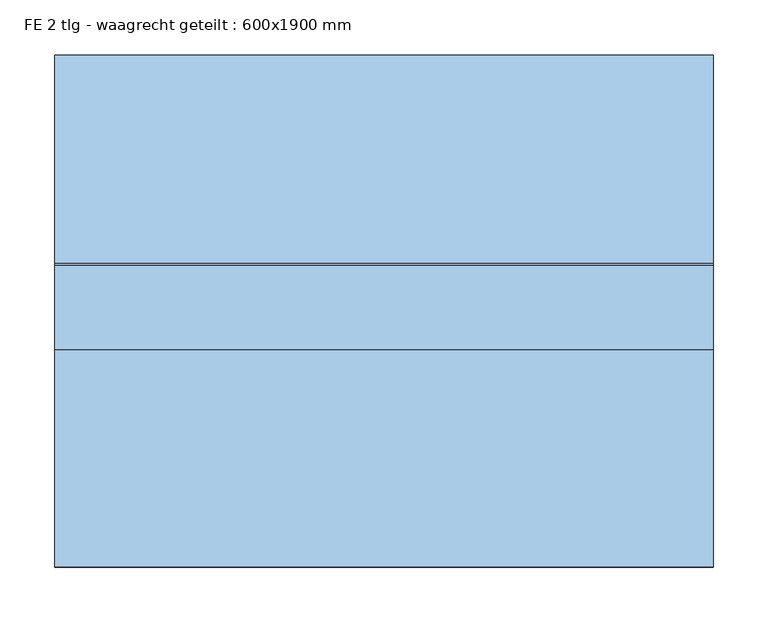
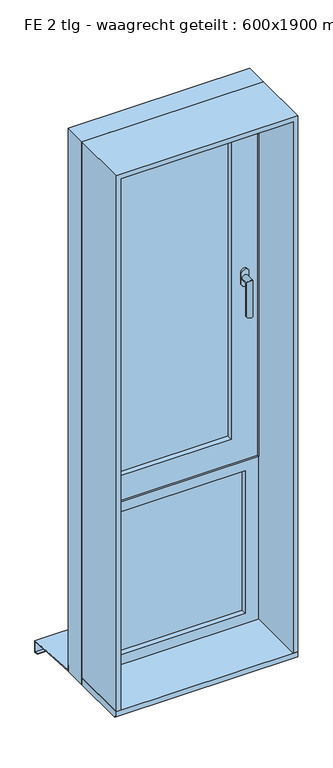
"""IFC4 building model written with IfcOpenShell, lengths in millimetres: window geometry, FE 2 tlg - waagrecht geteilt : 600x1900 mm."""

from ifc_helpers import new_model, si_unit, frame, origin, place, context, project, spatial, polyline, circle_curve, ellipse_curve, outline, extrude, faceted_brep, source, transform, mapped, element, save
from ifc_brep_helpers import plane_surface, cylinder_surface, advanced_brep


def fe_2_tlg_waagrecht_geteilt_600x1900_mm_86e6cf07(model_context):
    return source(origin(), model_context, "Body", "SolidModel", [
        extrude(outline(polyline([(240.0, 47.5), (240.0, 3.5), (-240.0, 3.5), (-240.0, 47.5), (240.0, 47.5)])), frame((0.0, 0.0, 460.0), z_axis=(0.0, 0.0, 1.0), x_axis=(1.0, 0.0, 0.0)), (0.0, 0.0, 1.0), 500.0),
        faceted_brep([(-300.0, 254.5, 390.7060854), (-300.0, 232.5, 392.000203), (-300.0, 64.5, 401.882556), (300.0, 64.5, 401.882556), (300.0, 232.5, 392.000203), (300.0, 254.5, 390.7060854), (-300.0, 254.5, 350.7060854), (300.0, 254.5, 350.7060854), (-300.0, 242.5, 350.7060854), (300.0, 242.5, 350.7060854), (-300.0, 242.5, 352.7060854), (300.0, 242.5, 352.7060854), (-300.0, 252.5, 352.7060854), (300.0, 252.5, 352.7060854), (-300.0, 252.5, 388.8235294), (300.0, 252.5, 388.8235294), (-300.0, 232.5, 390.0), (300.0, 232.5, 390.0), (300.0, 62.5, 400.0), (-300.0, 62.5, 400.0), (-300.0, 62.5, 420.0), (300.0, 62.5, 420.0), (-300.0, 64.5, 420.0), (300.0, 64.5, 420.0)], [[[0, 1, 2, 3, 4, 5]], [[6, 0, 5, 7]], [[8, 6, 7, 9]], [[10, 8, 9, 11]], [[12, 10, 11, 13]], [[14, 12, 13, 15]], [[16, 14, 15, 17, 18, 19]], [[20, 19, 18, 21]], [[22, 20, 21, 23]], [[2, 22, 23, 3]], [[16, 1, 0, 6, 8, 10, 12, 14]], [[17, 4, 3, 23, 21, 18]], [[1, 16, 19, 20, 22, 2]], [[4, 17, 15, 13, 11, 9, 7, 5]]]),
        advanced_brep(
        [(249.5, -14.5, 1657.5), (249.5, -14.5, 1640.0), (249.5, -14.5, 1622.5), (224.5, -14.5, 1622.5), (224.5, -14.5, 1640.0), (224.5, -14.5, 1657.5), (227.0, -44.5, 1640.0), (247.0, -44.5, 1640.0), (247.0, -20.5, 1640.0), (227.0, -20.5, 1640.0), (227.0, -44.5, 1520.0), (247.0, -44.5, 1520.0), (249.5, -20.5, 1657.5), (224.5, -20.5, 1657.5), (224.5, -20.5, 1640.0), (224.5, -20.5, 1622.5), (249.5, -20.5, 1622.5), (249.5, -20.5, 1640.0)],
        [
            (0, 1),
            (1, 2),
            (2, 3, circle_curve(frame((237.0, -14.5, 1622.5), z_axis=(0.0, 1.0, 0.0), x_axis=(1.0, 0.0, 0.0)), 12.5)),
            (3, 4),
            (4, 5),
            (5, 0, circle_curve(frame((237.0, -14.5, 1657.5), z_axis=(0.0, 1.0, 0.0), x_axis=(1.0, 0.0, 0.0)), 12.5)),
            (6, 7, ellipse_curve(frame((237.0, -44.5, 1640.0), z_axis=(0.0, 0.7071067811865498, 0.7071067811865451), x_axis=(0.0, 0.7071067811865452, -0.7071067811865497)), 14.1421356, 10.0)),
            (7, 8),
            (8, 9, circle_curve(frame((237.0, -20.5, 1640.0), z_axis=(0.0, -1.0, 0.0), x_axis=(1.0, 0.0, 0.0)), 10.0)),
            (9, 6),
            (7, 6, ellipse_curve(frame((237.0, -44.5, 1640.0), z_axis=(0.0, 0.7071067811865498, 0.7071067811865451), x_axis=(0.0, 0.7071067811865452, -0.7071067811865497)), 14.1421356, 10.0)),
            (9, 8, circle_curve(frame((237.0, -20.5, 1640.0), z_axis=(0.0, -1.0, 0.0), x_axis=(1.0, 0.0, 0.0)), 10.0)),
            (10, 11, circle_curve(frame((237.0, -44.5, 1520.0), z_axis=(0.0, 0.0, -1.0), x_axis=(1.0, 0.0, 0.0)), 10.0)),
            (11, 10, circle_curve(frame((237.0, -44.5, 1520.0), z_axis=(0.0, 0.0, -1.0), x_axis=(1.0, 0.0, 0.0)), 10.0)),
            (6, 10),
            (11, 7),
            (12, 13, circle_curve(frame((237.0, -20.5, 1657.5), z_axis=(0.0, -1.0, 0.0), x_axis=(1.0, 0.0, 0.0)), 12.5)),
            (13, 14),
            (14, 15),
            (15, 16, circle_curve(frame((237.0, -20.5, 1622.5), z_axis=(0.0, -1.0, 0.0), x_axis=(1.0, 0.0, 0.0)), 12.5)),
            (16, 17),
            (17, 12),
            (12, 0),
            (5, 13),
            (4, 14),
            (3, 15),
            (2, 16),
            (1, 17),
        ],
        [
            plane_surface(frame((237.0, -14.5, 1640.0), z_axis=(0.0, 1.0, 0.0), x_axis=(1.0, 0.0, 0.0))),
            cylinder_surface(frame((237.0, -14.5, 1640.0), z_axis=(0.0, 1.0, 0.0), x_axis=(1.0, 0.0, 0.0)), 10.0),
            plane_surface(frame((237.0, -44.5, 1520.0), z_axis=(0.0, 0.0, -1.0), x_axis=(1.0, 0.0, 0.0))),
            cylinder_surface(frame((237.0, -44.5, 1640.0), z_axis=(0.0, 0.0, 1.0), x_axis=(1.0, 0.0, 0.0)), 10.0),
            plane_surface(frame((249.5, -20.5, 1657.5), z_axis=(0.0, -1.0, 0.0), x_axis=(0.0, 0.0, 1.0))),
            cylinder_surface(frame((237.0, -14.5, 1657.5), z_axis=(0.0, -1.0, 0.0), x_axis=(1.0, 0.0, 0.0)), 12.5),
            plane_surface(frame((224.5, -20.5, 1657.5), z_axis=(-1.0, 0.0, 0.0), x_axis=(0.0, 1.0, 0.0))),
            plane_surface(frame((224.5, -20.5, 1640.0), z_axis=(-1.0, 0.0, 0.0), x_axis=(0.0, 1.0, 0.0))),
            cylinder_surface(frame((237.0, -14.5, 1622.5), z_axis=(0.0, -1.0, 0.0), x_axis=(1.0, 0.0, 0.0)), 12.5),
            plane_surface(frame((249.5, -20.5, 1622.5), z_axis=(1.0, 0.0, 0.0), x_axis=(0.0, 1.0, 0.0))),
            plane_surface(frame((249.5, -20.5, 1640.0), z_axis=(1.0, 0.0, 0.0), x_axis=(0.0, 1.0, 0.0))),
        ],
        [
            (0, [[1, 2, 3, 4, 5, 6]]),
            (1, [[7, 8, 9, 10]]),
            (1, [[11, -10, 12, -8]]),
            (2, [[13, 14]]),
            (3, [[-7, 15, -14, 16]]),
            (3, [[-11, -16, -13, -15]]),
            (4, [[17, 18, 19, 20, 21, 22], [-9, -12]]),
            (5, [[-17, 23, -6, 24]]),
            (6, [[-18, -24, -5, 25]]),
            (7, [[-19, -25, -4, 26]]),
            (8, [[-20, -26, -3, 27]]),
            (9, [[-21, -27, -2, 28]]),
            (10, [[-22, -28, -1, -23]]),
        ],
    ),
        faceted_brep([(194.0, -14.5, 2194.0), (194.0, 62.5, 2194.0), (194.0, 62.5, 1086.0), (194.0, -14.5, 1086.0), (240.0, 62.5, 1040.0), (-240.0, 62.5, 1040.0), (-240.0, 62.5, 2240.0), (240.0, 62.5, 2240.0), (-194.0, 62.5, 2194.0), (-194.0, 62.5, 1086.0), (-194.0, -14.5, 1086.0), (280.0, -14.5, 2280.0), (-280.0, -14.5, 2280.0), (-280.0, -14.5, 1000.0), (280.0, -14.5, 1000.0), (-194.0, -14.5, 2194.0), (280.0, 0.5, 2280.0), (280.0, 0.5, 1000.0), (-280.0, 0.5, 1000.0), (-280.0, 0.5, 2280.0), (265.0, 0.5, 2265.0), (-265.0, 0.5, 2265.0), (-265.0, 0.5, 1015.0), (265.0, 0.5, 1015.0), (265.0, 24.0, 2265.0), (265.0, 24.0, 1015.0), (-265.0, 24.0, 1015.0), (-265.0, 24.0, 2265.0), (255.0, 24.0, 2255.0), (-255.0, 24.0, 2255.0), (-255.0, 24.0, 1025.0), (255.0, 24.0, 1025.0), (255.0, 47.5, 2255.0), (255.0, 47.5, 1025.0), (-255.0, 47.5, 1025.0), (-255.0, 47.5, 2255.0), (240.0, 47.5, 2240.0), (-240.0, 47.5, 2240.0), (-240.0, 47.5, 1040.0), (240.0, 47.5, 1040.0)], [[[0, 1, 2, 3]], [[4, 5, 6, 7], [1, 8, 9, 2]], [[3, 2, 9, 10]], [[11, 12, 13, 14], [3, 10, 15, 0]], [[16, 11, 14, 17]], [[17, 14, 13, 18]], [[17, 18, 19, 16], [20, 21, 22, 23]], [[24, 20, 23, 25]], [[25, 23, 22, 26]], [[25, 26, 27, 24], [28, 29, 30, 31]], [[32, 28, 31, 33]], [[33, 31, 30, 34]], [[33, 34, 35, 32], [36, 37, 38, 39]], [[7, 36, 39, 4]], [[4, 39, 38, 5]], [[10, 9, 8, 15]], [[18, 13, 12, 19]], [[26, 22, 21, 27]], [[34, 30, 29, 35]], [[5, 38, 37, 6]], [[15, 8, 1, 0]], [[19, 12, 11, 16]], [[27, 21, 20, 24]], [[35, 29, 28, 32]], [[6, 37, 36, 7]]]),
        extrude(outline(polyline([(194.0, 47.5), (194.0, 3.5), (-194.0, 3.5), (-194.0, 47.5), (194.0, 47.5)])), frame((0.0, 0.0, 1086.0), z_axis=(0.0, 0.0, 1.0), x_axis=(1.0, 0.0, 0.0)), (0.0, 0.0, 1.0), 1108.0),
        faceted_brep([(300.0, 62.5, 400.0), (300.0, -14.5, 400.0), (-300.0, -14.5, 400.0), (-300.0, 62.5, 400.0), (300.0, 62.5, 2300.0), (300.0, -14.5, 2300.0), (-300.0, -14.5, 2300.0), (285.0, -14.5, 2285.0), (285.0, -14.5, 995.0), (-285.0, -14.5, 995.0), (-285.0, -14.5, 2285.0), (240.0, -14.5, 960.0), (240.0, -14.5, 460.0), (-240.0, -14.5, 460.0), (-240.0, -14.5, 960.0), (-300.0, 62.5, 2300.0), (245.0, 62.5, 1035.0), (245.0, 62.5, 2245.0), (-245.0, 62.5, 2245.0), (-245.0, 62.5, 1035.0), (240.0, 62.5, 460.0), (240.0, 62.5, 960.0), (-240.0, 62.5, 960.0), (-240.0, 62.5, 460.0), (245.0, 47.5, 1035.0), (245.0, 47.5, 2245.0), (-245.0, 47.5, 1035.0), (-245.0, 47.5, 2245.0), (-285.0, 0.5, 995.0), (-285.0, 0.5, 2285.0), (285.0, 0.5, 2285.0), (285.0, 0.5, 995.0), (270.0, 0.5, 2270.0), (270.0, 0.5, 1010.0), (-270.0, 0.5, 1010.0), (-270.0, 0.5, 2270.0), (270.0, 24.0, 1010.0), (270.0, 24.0, 2270.0), (-270.0, 24.0, 2270.0), (-270.0, 24.0, 1010.0), (260.0, 24.0, 2260.0), (260.0, 24.0, 1020.0), (-260.0, 24.0, 1020.0), (-260.0, 24.0, 2260.0), (260.0, 47.5, 1020.0), (260.0, 47.5, 2260.0), (-260.0, 47.5, 2260.0), (-260.0, 47.5, 1020.0)], [[[0, 1, 2, 3]], [[4, 5, 1, 0]], [[5, 6, 2, 1], [7, 8, 9, 10], [11, 12, 13, 14]], [[6, 15, 3, 2]], [[15, 4, 0, 3], [16, 17, 18, 19], [20, 21, 22, 23]], [[16, 24, 25, 17]], [[26, 19, 18, 27]], [[24, 16, 19, 26]], [[9, 28, 29, 10]], [[30, 31, 8, 7]], [[31, 30, 29, 28], [32, 33, 34, 35]], [[36, 37, 38, 39], [40, 41, 42, 43]], [[37, 36, 33, 32]], [[33, 36, 39, 34]], [[44, 45, 46, 47], [25, 24, 26, 27]], [[45, 44, 41, 40]], [[41, 44, 47, 42]], [[34, 39, 38, 35]], [[42, 47, 46, 43]], [[4, 15, 6, 5]], [[30, 7, 10, 29]], [[37, 32, 35, 38]], [[45, 40, 43, 46]], [[17, 25, 27, 18]], [[20, 12, 11, 21]], [[21, 11, 14, 22]], [[13, 23, 22, 14]], [[12, 20, 23, 13]], [[8, 31, 28, 9]]]),
        extrude(outline(polyline([(-212.5, 425.0), (-14.5, 425.0), (-14.5, 400.0), (-202.5, 400.0), (-202.5, 407.0), (-212.5, 407.0), (-212.5, 425.0)])), frame((-300.0, 0.0, 0.0), z_axis=(1.0, 0.0, 0.0), x_axis=(0.0, 1.0, 0.0)), (0.0, 0.0, 1.0), 600.0),
        extrude(outline(polyline([(425.0, 285.0), (425.0, 300.0), (2300.0, 300.0), (2300.0, -300.0), (425.0, -300.0), (425.0, -285.0), (2285.0, -285.0), (2285.0, 285.0), (425.0, 285.0)])), frame((0.0, -212.5, 0.0), z_axis=(0.0, 1.0, 0.0), x_axis=(0.0, 0.0, 1.0)), (0.0, 0.0, 1.0), 198.0),
    ])


if __name__ == "__main__":
    model = new_model("IFC4")
    model_context = context("Model", 3, world=origin())
    ifc_project = project(units=[si_unit("LENGTHUNIT", "METRE", prefix="MILLI")], contexts=[model_context])
    site = spatial("IfcSite", under=ifc_project)
    building = spatial("IfcBuilding", under=site)
    placement = place(None, origin())
    fe_2_tlg_waagrecht_geteilt_600x1900_mm_shape = fe_2_tlg_waagrecht_geteilt_600x1900_mm_86e6cf07(model_context)
    element("IfcWindow", 1, ObjectType="FE 2 tlg - waagrecht geteilt : 600x1900 mm", at=placement, inside=building, context=model_context, shape_type="MappedRepresentation", body=[
        mapped(fe_2_tlg_waagrecht_geteilt_600x1900_mm_shape, transform((0.0, 0.0, 0.0), x_axis=(1.0, 0.0, 0.0), y_axis=(0.0, 1.0, 0.0), z_axis=(0.0, 0.0, 1.0))),
    ])
    save(model, "model.ifc")
